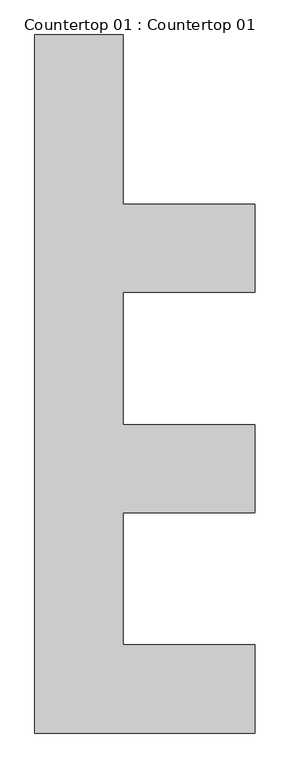
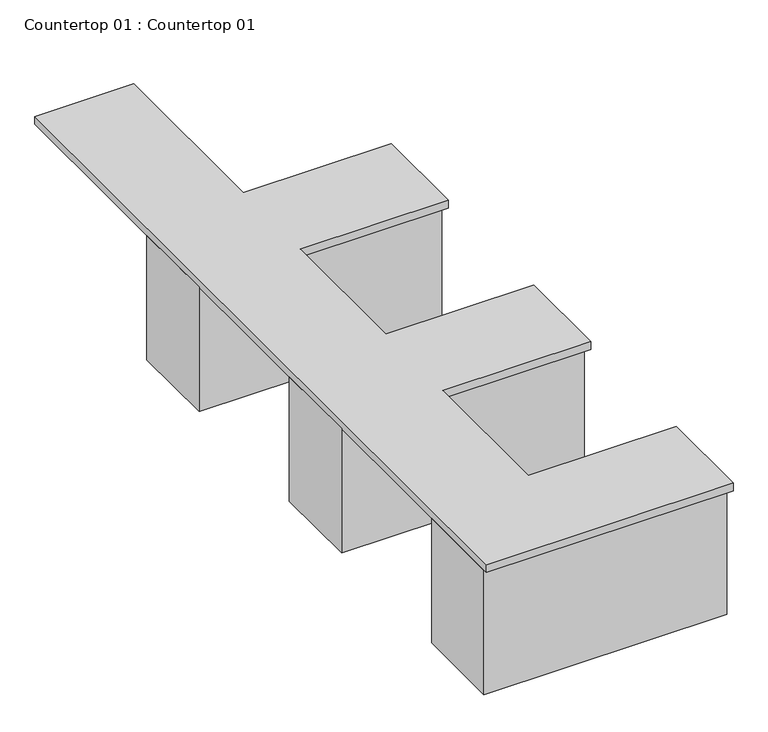
"""IFC4 building model written with IfcOpenShell, lengths in millimetres: proxy geometry, Countertop 01 : Countertop 01."""

from ifc_helpers import new_model, si_unit, frame, origin, origin_with_axes, place, context, project, spatial, polyline, outline, extrude, source, transform, mapped, element, save


def countertop_01_countertop_01_ed0007ef(model_context):
    return source(origin(), model_context, "Body", "SweptSolid", [
        extrude(outline(polyline([(-517.425187, -16996.3926669), (-2016.025187, -16996.3926669), (-2016.025187, -16437.5926669), (-517.425187, -16437.5926669), (-517.425187, -16996.3926669)])), origin_with_axes(), (0.0, 0.0, 1.0), 812.8),
        extrude(outline(polyline([(-517.425187, -18520.3926669), (-2016.025187, -18520.3926669), (-2016.025187, -17961.5926669), (-517.425187, -17961.5926669), (-517.425187, -18520.3926669)])), origin_with_axes(), (0.0, 0.0, 1.0), 812.8),
        extrude(outline(polyline([(-517.425187, -20044.3926669), (-2016.025187, -20044.3926669), (-2016.025187, -19485.5926669), (-517.425187, -19485.5926669), (-517.425187, -20044.3926669)])), origin_with_axes(), (0.0, 0.0, 1.0), 812.8),
        extrude(outline(polyline([(-2016.025187, -20069.7926669), (-2016.025187, -15240.6176669), (-1406.425187, -15240.6176669), (-1406.425187, -16412.1926669), (-492.025187, -16412.1926669), (-492.025187, -17021.7926669), (-1406.425187, -17021.7926669), (-1406.425187, -17936.1926669), (-492.025187, -17936.1926669), (-492.025187, -18545.7926669), (-1406.425187, -18545.7926669), (-1406.425187, -19460.1926669), (-492.025187, -19460.1926669), (-492.025187, -20069.7926669), (-2016.025187, -20069.7926669)])), frame((0.0, 0.0, 812.8), z_axis=(0.0, 0.0, 1.0), x_axis=(1.0, 0.0, 0.0)), (0.0, 0.0, 1.0), 50.8),
    ])


if __name__ == "__main__":
    model = new_model("IFC4")
    model_context = context("Model", 3, world=origin())
    ifc_project = project(units=[si_unit("LENGTHUNIT", "METRE", prefix="MILLI")], contexts=[model_context])
    site = spatial("IfcSite", under=ifc_project)
    building = spatial("IfcBuilding", under=site)
    placement = place(None, origin())
    countertop_01_countertop_01_shape = countertop_01_countertop_01_ed0007ef(model_context)
    element("IfcBuildingElementProxy", 1, Name="Countertop 01 : Countertop 01", ObjectType="Countertop 01 : Countertop 01", at=placement, inside=building, context=model_context, shape_type="MappedRepresentation", body=[
        mapped(countertop_01_countertop_01_shape, transform((0.0, 0.0, 0.0), x_axis=(1.0, 0.0, 0.0), y_axis=(0.0, 1.0, 0.0), z_axis=(0.0, 0.0, 1.0))),
    ])
    save(model, "model.ifc")
